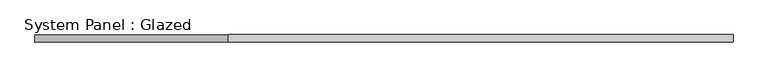
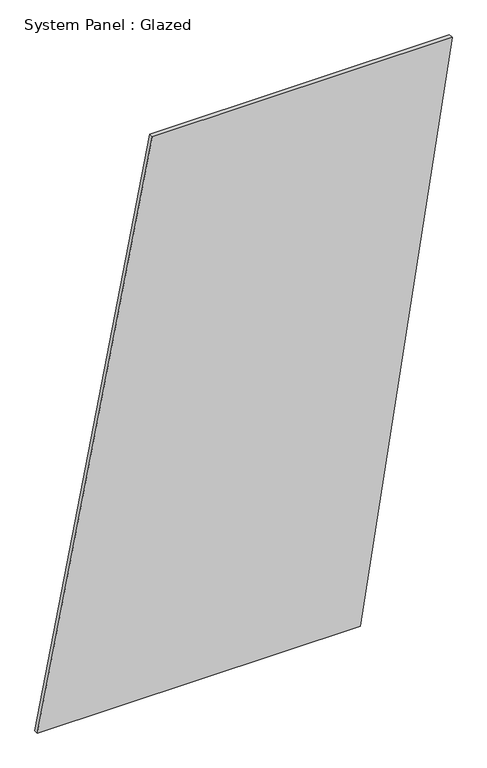
"""IFC4 building model written with IfcOpenShell, lengths in millimetres: plate geometry, System Panel : Glazed."""

import ifcopenshell
import ifcopenshell.guid

model = None  # the IFC model being written
_history = None  # IfcOwnerHistory: only IFC2X3 demands one
_inside = {}  # id of a spatial element -> (the spatial element, [elements in it])
_under = {}  # id of a project, library or spatial element -> (it, [spatial elements below it])
_declared = {}  # id of a project -> (the project, [libraries it declares])
_typed = {}  # id of a type object -> (the type object, [elements of that type])
_made_of = {}  # id of a material, layer set ... -> (it, [elements and type objects made of it])


def new_model(schema):
    """Start an empty IFC model of exactly this schema.

    Asked for "IFC4X3", IfcOpenShell would pick the latest addendum, in which some entities
    have other attributes; the version numbers below select the first issue.
    IFC2X3 requires an IfcOwnerHistory on every rooted entity: one is made here for all.
    """
    global model, _history
    if schema == "IFC4X3":
        model = ifcopenshell.file(schema_version=(4, 3, 0, 0))
    else:
        model = ifcopenshell.file(schema=schema)
    _inside.clear()
    _under.clear()
    _declared.clear()
    _typed.clear()
    _made_of.clear()
    _history = None
    if model.schema == "IFC2X3":
        org = make("IfcOrganization", Name="unknown")
        user = make(
            "IfcPersonAndOrganization",
            ThePerson=make("IfcPerson", FamilyName="unknown"),
            TheOrganization=org,
        )
        app = make(
            "IfcApplication",
            ApplicationDeveloper=org,
            Version="unknown",
            ApplicationFullName="unknown",
            ApplicationIdentifier="unknown",
        )
        _history = make(
            "IfcOwnerHistory",
            OwningUser=user,
            OwningApplication=app,
            ChangeAction="ADDED",
            CreationDate=0,
        )
    return model


def make(cls, **values):
    """One entity of the class cls with the attributes given. An attribute that is None is left unset."""
    return model.create_entity(
        cls, **{name: value for name, value in values.items() if value is not None}
    )


def rooted(cls, **values):
    """An entity with a GlobalId (a new one), such as an element, a storey or a relation."""
    return make(cls, GlobalId=ifcopenshell.guid.new(), OwnerHistory=_history, **values)


def si_unit(unit_type, name, prefix=None):
    """IfcSIUnit, for example si_unit("LENGTHUNIT", "METRE", prefix="MILLI")."""
    return make("IfcSIUnit", UnitType=unit_type, Prefix=prefix, Name=name)


def assignment(units):
    """IfcUnitAssignment: the units of a project."""
    return None if units is None else make("IfcUnitAssignment", Units=units)


def point(xyz):
    """IfcCartesianPoint."""
    return None if xyz is None else make("IfcCartesianPoint", Coordinates=xyz)


def direction(xyz):
    """IfcDirection."""
    return None if xyz is None else make("IfcDirection", DirectionRatios=xyz)


def frame(location, z_axis=None, x_axis=None):
    """IfcAxis2Placement3D, a coordinate frame: its origin and axes. An axis left out is left unset."""
    return make(
        "IfcAxis2Placement3D",
        Location=point(location),
        Axis=direction(z_axis),
        RefDirection=direction(x_axis),
    )


def origin():
    """The frame at (0, 0, 0) with its axes left unset."""
    return frame((0.0, 0.0, 0.0))


def place(relative_to, where):
    """IfcLocalPlacement: puts the frame where relative to a parent placement (None: the world)."""
    return make(
        "IfcLocalPlacement", PlacementRelTo=relative_to, RelativePlacement=where
    )


def context(
    kind, dimensions, precision=None, world=None, true_north=None, identifier=None
):
    """IfcGeometricRepresentationContext, for example the 3D "Model" context."""
    return make(
        "IfcGeometricRepresentationContext",
        ContextIdentifier=identifier,
        ContextType=kind,
        CoordinateSpaceDimension=dimensions,
        Precision=precision,
        WorldCoordinateSystem=world,
        TrueNorth=true_north,
    )


def project(units=None, contexts=None):
    """IfcProject with its units and contexts."""
    return rooted(
        "IfcProject",
        Name="project",
        RepresentationContexts=contexts,
        UnitsInContext=assignment(units),
    )


def spatial(cls, under=None, at=None, **own):
    """A site, building, storey or space (cls), placed at a placement, below another one or the project."""
    s = rooted(cls, ObjectPlacement=at, **own)
    if under is not None:
        _under.setdefault(under.id(), (under, []))[1].append(s)
    return s


def polyline(points):
    """IfcPolyline through the points."""
    return make("IfcPolyline", Points=[point(p) for p in points])


def outline(outer, holes=None, kind="AREA"):
    """IfcArbitraryClosedProfileDef: a profile drawn as a closed curve; with holes, ...WithVoids."""
    if holes is None:
        return make("IfcArbitraryClosedProfileDef", ProfileType=kind, OuterCurve=outer)
    return make(
        "IfcArbitraryProfileDefWithVoids",
        ProfileType=kind,
        OuterCurve=outer,
        InnerCurves=holes,
    )


def extrude(swept, where, along, depth):
    """IfcExtrudedAreaSolid: the profile swept, set in the frame where, extruded along a direction by depth."""
    return make(
        "IfcExtrudedAreaSolid",
        SweptArea=swept,
        Position=where,
        ExtrudedDirection=direction(along),
        Depth=depth,
    )


def shape(context_of_items, identifier, shape_type, items):
    """IfcShapeRepresentation: the items that make up one representation, for example the "Body"."""
    return make(
        "IfcShapeRepresentation",
        ContextOfItems=context_of_items,
        RepresentationIdentifier=identifier,
        RepresentationType=shape_type,
        Items=items,
    )


def source(mapping_origin, context_of_items, identifier, shape_type, items):
    """IfcRepresentationMap: a shape defined once, which mapped items show again and again."""
    return make(
        "IfcRepresentationMap",
        MappingOrigin=mapping_origin,
        MappedRepresentation=shape(context_of_items, identifier, shape_type, items),
    )


def transform(
    local_origin,
    x_axis=None,
    y_axis=None,
    z_axis=None,
    scale=None,
    scale2=None,
    scale3=None,
    uniform=True,
):
    """IfcCartesianTransformationOperator3D, or its non-uniform kind. x_axis, y_axis, z_axis: its Axis1, 2, 3."""
    if uniform:
        return make(
            "IfcCartesianTransformationOperator3D",
            Axis1=direction(x_axis),
            Axis2=direction(y_axis),
            LocalOrigin=point(local_origin),
            Scale=scale,
            Axis3=direction(z_axis),
        )
    return make(
        "IfcCartesianTransformationOperator3DnonUniform",
        Axis1=direction(x_axis),
        Axis2=direction(y_axis),
        LocalOrigin=point(local_origin),
        Scale=scale,
        Axis3=direction(z_axis),
        Scale2=scale2,
        Scale3=scale3,
    )


def mapped(mapping_source, mapping_target):
    """IfcMappedItem: shows the shape of a source again, moved by a transform."""
    return make(
        "IfcMappedItem", MappingSource=mapping_source, MappingTarget=mapping_target
    )


def made_of(thing, what):
    """Note that an element or type object is made of a material, layer set ...; save() writes the relation."""
    if what is not None:
        _made_of.setdefault(what.id(), (what, []))[1].append(thing)
    return thing


def element(
    cls,
    number,
    at=None,
    inside=None,
    cuts=None,
    type_object=None,
    material=None,
    context=None,
    identifier="Body",
    shape_type=None,
    held_by="IfcProductDefinitionShape",
    body=None,
    shapes=None,
    **own,
):
    """One element of the class cls, such as IfcWall. Its Tag is "e" and its number.

    at: its placement. inside: the storey or other place that contains it. cuts: it is an
    opening in that element (IfcRelVoidsElement). A single representation is given by context,
    identifier, shape_type and body (its items); several are given by shapes. held_by: the class
    of the entity that holds the representations. save() writes the other relations.
    """
    e = rooted(cls, Tag="e%d" % number, ObjectPlacement=at, **own)
    if body is not None:
        shapes = [shape(context, identifier, shape_type, body)]
    if shapes is not None:
        e.Representation = make(held_by, Representations=shapes)
    if inside is not None:
        _inside.setdefault(inside.id(), (inside, []))[1].append(e)
    if cuts is not None:
        rooted(
            "IfcRelVoidsElement", RelatingBuildingElement=cuts, RelatedOpeningElement=e
        )
    if type_object is not None:
        _typed.setdefault(type_object.id(), (type_object, []))[1].append(e)
    return made_of(e, material)


def aggregate(whole, parts):
    """IfcRelAggregates: a whole, such as a stair, and the parts it consists of."""
    return rooted("IfcRelAggregates", RelatingObject=whole, RelatedObjects=parts)


def save(model, path):
    """Write the relations noted so far, then the file.

    IfcRelAggregates (storeys below a building ...), IfcRelContainedInSpatialStructure (elements
    in a storey), IfcRelDefinesByType, IfcRelAssociatesMaterial and IfcRelDeclares: one each for
    every whole, place, type object, material and project.
    """
    for whole, parts in _under.values():
        aggregate(whole, parts)
    for where, things in _inside.values():
        rooted(
            "IfcRelContainedInSpatialStructure",
            RelatedElements=things,
            RelatingStructure=where,
        )
    for kind, things in _typed.values():
        rooted("IfcRelDefinesByType", RelatedObjects=things, RelatingType=kind)
    for what, things in _made_of.values():
        rooted("IfcRelAssociatesMaterial", RelatedObjects=things, RelatingMaterial=what)
    for by, libraries in _declared.values():
        rooted("IfcRelDeclares", RelatingContext=by, RelatedDefinitions=libraries)
    model.write(path)


def system_panel_glazed_1c9889af(model_context):
    return source(origin(), model_context, "Body", "SweptSolid", [
        extrude(outline(polyline([(0.0, -1170.1070688), (0.0, 651.0821911), (3332.3060389, 1170.1070688), (3332.3060389, -521.3259717), (0.0, -1170.1070688)])), frame((0.0, -49.5, 0.0), z_axis=(0.0, 1.0, 0.0), x_axis=(0.0, 0.0, 1.0)), (0.0, 0.0, 1.0), 25.0),
    ])


if __name__ == "__main__":
    model = new_model("IFC4")
    model_context = context("Model", 3, world=origin())
    ifc_project = project(units=[si_unit("LENGTHUNIT", "METRE", prefix="MILLI")], contexts=[model_context])
    site = spatial("IfcSite", under=ifc_project)
    building = spatial("IfcBuilding", under=site)
    placement = place(None, origin())
    system_panel_glazed_shape = system_panel_glazed_1c9889af(model_context)
    element("IfcPlate", 1, ObjectType="System Panel : Glazed", at=placement, inside=building, context=model_context, shape_type="MappedRepresentation", body=[
        mapped(system_panel_glazed_shape, transform((0.0, 0.0, 0.0), x_axis=(1.0, 0.0, 0.0), y_axis=(0.0, 1.0, 0.0), z_axis=(0.0, 0.0, 1.0))),
    ])
    save(model, "model.ifc")
